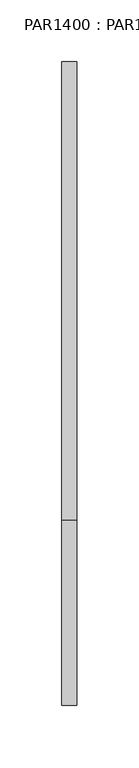
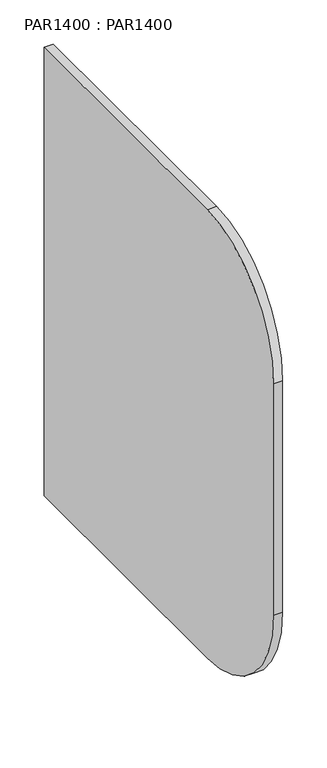
"""IFC4 building model written with IfcOpenShell, lengths in millimetres: proxy geometry, PAR1400 : PAR1400."""

from ifc_helpers import new_model, si_unit, point, frame, frame_2d, origin, place, context, project, spatial, polyline, circle_curve, trimmed, segment, composite_curve, outline, extrude, source, transform, mapped, element, save


def par1400_par1400_ee357088(model_context):
    return source(origin(), model_context, "Body", "SweptSolid", [
        extrude(outline(composite_curve([segment(polyline([(0.0, 620.0), (0.0, 0.0), (-370.0, 0.0)]), True, "CONTINUOUS"), segment(trimmed(circle_curve(frame_2d((-370.0, 150.0)), 150.0), [point((-370.0, 0.0))], [point((-520.0, 150.0))], False, "CARTESIAN"), True, "CONTINUOUS"), segment(polyline([(-520.0, 150.0), (-520.0, 470.0)]), True, "CONTINUOUS"), segment(trimmed(circle_curve(frame_2d((-370.0, 470.0)), 150.0), [point((-520.0, 470.0))], [point((-370.0, 620.0))], False, "CARTESIAN"), True, "CONTINUOUS"), segment(polyline([(-370.0, 620.0), (0.0, 620.0)]), True, "CONTINUOUS")], self_intersect=False)), frame((0.0, 0.0, 0.0), z_axis=(1.0, 0.0, 0.0), x_axis=(0.0, 1.0, 0.0)), (0.0, 0.0, 1.0), 12.0),
    ])


if __name__ == "__main__":
    model = new_model("IFC4")
    model_context = context("Model", 3, world=origin())
    ifc_project = project(units=[si_unit("LENGTHUNIT", "METRE", prefix="MILLI")], contexts=[model_context])
    site = spatial("IfcSite", under=ifc_project)
    building = spatial("IfcBuilding", under=site)
    placement = place(None, origin())
    par1400_par1400_shape = par1400_par1400_ee357088(model_context)
    element("IfcBuildingElementProxy", 1, Name="PAR1400 : PAR1400", ObjectType="PAR1400 : PAR1400", at=placement, inside=building, context=model_context, shape_type="MappedRepresentation", body=[
        mapped(par1400_par1400_shape, transform((0.0, 0.0, 0.0), x_axis=(1.0, 0.0, 0.0), y_axis=(0.0, 1.0, 0.0), z_axis=(0.0, 0.0, 1.0))),
    ])
    save(model, "model.ifc")
